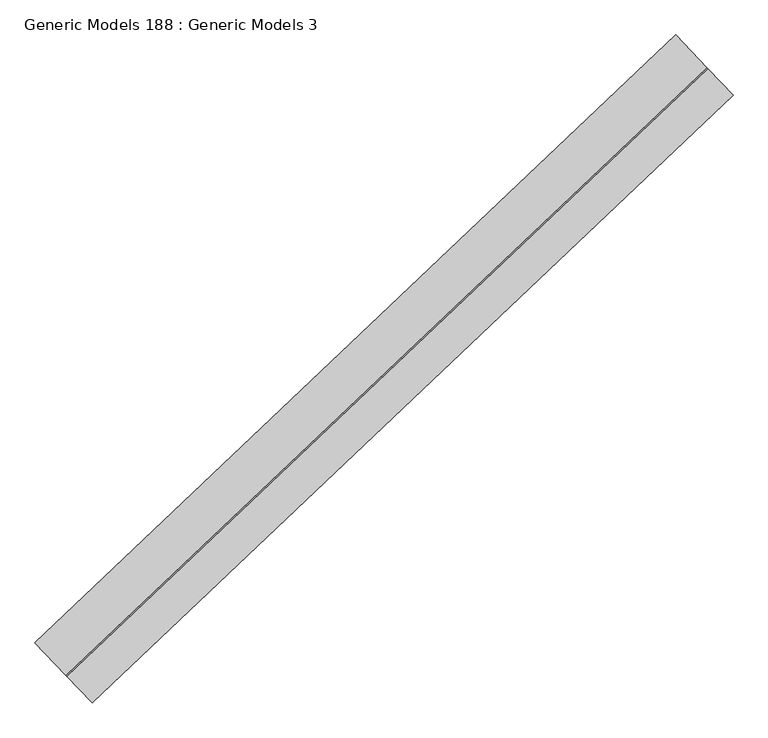
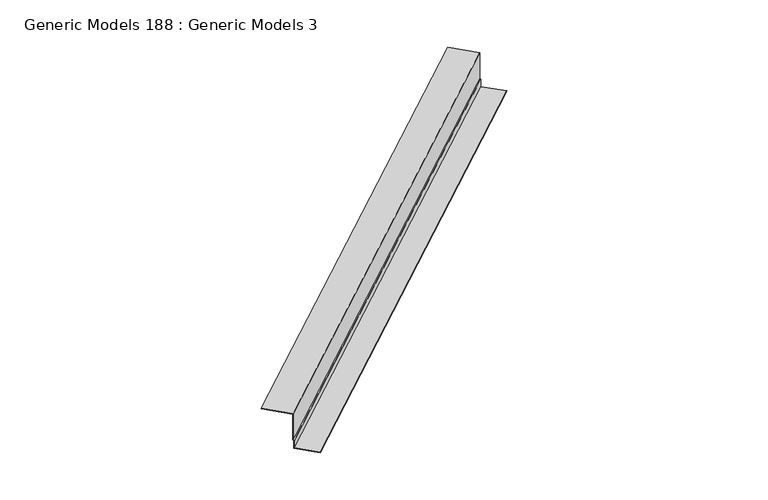
"""IFC4 building model written with IfcOpenShell, lengths in millimetres: proxy geometry, Generic Models 188 : Generic Models 3."""

import ifcopenshell
import ifcopenshell.guid

model = None  # the IFC model being written
_history = None  # IfcOwnerHistory: only IFC2X3 demands one
_inside = {}  # id of a spatial element -> (the spatial element, [elements in it])
_under = {}  # id of a project, library or spatial element -> (it, [spatial elements below it])
_declared = {}  # id of a project -> (the project, [libraries it declares])
_typed = {}  # id of a type object -> (the type object, [elements of that type])
_made_of = {}  # id of a material, layer set ... -> (it, [elements and type objects made of it])


def new_model(schema):
    """Start an empty IFC model of exactly this schema.

    Asked for "IFC4X3", IfcOpenShell would pick the latest addendum, in which some entities
    have other attributes; the version numbers below select the first issue.
    IFC2X3 requires an IfcOwnerHistory on every rooted entity: one is made here for all.
    """
    global model, _history
    if schema == "IFC4X3":
        model = ifcopenshell.file(schema_version=(4, 3, 0, 0))
    else:
        model = ifcopenshell.file(schema=schema)
    _inside.clear()
    _under.clear()
    _declared.clear()
    _typed.clear()
    _made_of.clear()
    _history = None
    if model.schema == "IFC2X3":
        org = make("IfcOrganization", Name="unknown")
        user = make(
            "IfcPersonAndOrganization",
            ThePerson=make("IfcPerson", FamilyName="unknown"),
            TheOrganization=org,
        )
        app = make(
            "IfcApplication",
            ApplicationDeveloper=org,
            Version="unknown",
            ApplicationFullName="unknown",
            ApplicationIdentifier="unknown",
        )
        _history = make(
            "IfcOwnerHistory",
            OwningUser=user,
            OwningApplication=app,
            ChangeAction="ADDED",
            CreationDate=0,
        )
    return model


def make(cls, **values):
    """One entity of the class cls with the attributes given. An attribute that is None is left unset."""
    return model.create_entity(
        cls, **{name: value for name, value in values.items() if value is not None}
    )


def rooted(cls, **values):
    """An entity with a GlobalId (a new one), such as an element, a storey or a relation."""
    return make(cls, GlobalId=ifcopenshell.guid.new(), OwnerHistory=_history, **values)


def si_unit(unit_type, name, prefix=None):
    """IfcSIUnit, for example si_unit("LENGTHUNIT", "METRE", prefix="MILLI")."""
    return make("IfcSIUnit", UnitType=unit_type, Prefix=prefix, Name=name)


def assignment(units):
    """IfcUnitAssignment: the units of a project."""
    return None if units is None else make("IfcUnitAssignment", Units=units)


def point(xyz):
    """IfcCartesianPoint."""
    return None if xyz is None else make("IfcCartesianPoint", Coordinates=xyz)


def direction(xyz):
    """IfcDirection."""
    return None if xyz is None else make("IfcDirection", DirectionRatios=xyz)


def frame(location, z_axis=None, x_axis=None):
    """IfcAxis2Placement3D, a coordinate frame: its origin and axes. An axis left out is left unset."""
    return make(
        "IfcAxis2Placement3D",
        Location=point(location),
        Axis=direction(z_axis),
        RefDirection=direction(x_axis),
    )


def origin():
    """The frame at (0, 0, 0) with its axes left unset."""
    return frame((0.0, 0.0, 0.0))


def place(relative_to, where):
    """IfcLocalPlacement: puts the frame where relative to a parent placement (None: the world)."""
    return make(
        "IfcLocalPlacement", PlacementRelTo=relative_to, RelativePlacement=where
    )


def context(
    kind, dimensions, precision=None, world=None, true_north=None, identifier=None
):
    """IfcGeometricRepresentationContext, for example the 3D "Model" context."""
    return make(
        "IfcGeometricRepresentationContext",
        ContextIdentifier=identifier,
        ContextType=kind,
        CoordinateSpaceDimension=dimensions,
        Precision=precision,
        WorldCoordinateSystem=world,
        TrueNorth=true_north,
    )


def project(units=None, contexts=None):
    """IfcProject with its units and contexts."""
    return rooted(
        "IfcProject",
        Name="project",
        RepresentationContexts=contexts,
        UnitsInContext=assignment(units),
    )


def spatial(cls, under=None, at=None, **own):
    """A site, building, storey or space (cls), placed at a placement, below another one or the project."""
    s = rooted(cls, ObjectPlacement=at, **own)
    if under is not None:
        _under.setdefault(under.id(), (under, []))[1].append(s)
    return s


def polyline(points):
    """IfcPolyline through the points."""
    return make("IfcPolyline", Points=[point(p) for p in points])


def outline(outer, holes=None, kind="AREA"):
    """IfcArbitraryClosedProfileDef: a profile drawn as a closed curve; with holes, ...WithVoids."""
    if holes is None:
        return make("IfcArbitraryClosedProfileDef", ProfileType=kind, OuterCurve=outer)
    return make(
        "IfcArbitraryProfileDefWithVoids",
        ProfileType=kind,
        OuterCurve=outer,
        InnerCurves=holes,
    )


def extrude(swept, where, along, depth):
    """IfcExtrudedAreaSolid: the profile swept, set in the frame where, extruded along a direction by depth."""
    return make(
        "IfcExtrudedAreaSolid",
        SweptArea=swept,
        Position=where,
        ExtrudedDirection=direction(along),
        Depth=depth,
    )


def shape(context_of_items, identifier, shape_type, items):
    """IfcShapeRepresentation: the items that make up one representation, for example the "Body"."""
    return make(
        "IfcShapeRepresentation",
        ContextOfItems=context_of_items,
        RepresentationIdentifier=identifier,
        RepresentationType=shape_type,
        Items=items,
    )


def source(mapping_origin, context_of_items, identifier, shape_type, items):
    """IfcRepresentationMap: a shape defined once, which mapped items show again and again."""
    return make(
        "IfcRepresentationMap",
        MappingOrigin=mapping_origin,
        MappedRepresentation=shape(context_of_items, identifier, shape_type, items),
    )


def transform(
    local_origin,
    x_axis=None,
    y_axis=None,
    z_axis=None,
    scale=None,
    scale2=None,
    scale3=None,
    uniform=True,
):
    """IfcCartesianTransformationOperator3D, or its non-uniform kind. x_axis, y_axis, z_axis: its Axis1, 2, 3."""
    if uniform:
        return make(
            "IfcCartesianTransformationOperator3D",
            Axis1=direction(x_axis),
            Axis2=direction(y_axis),
            LocalOrigin=point(local_origin),
            Scale=scale,
            Axis3=direction(z_axis),
        )
    return make(
        "IfcCartesianTransformationOperator3DnonUniform",
        Axis1=direction(x_axis),
        Axis2=direction(y_axis),
        LocalOrigin=point(local_origin),
        Scale=scale,
        Axis3=direction(z_axis),
        Scale2=scale2,
        Scale3=scale3,
    )


def mapped(mapping_source, mapping_target):
    """IfcMappedItem: shows the shape of a source again, moved by a transform."""
    return make(
        "IfcMappedItem", MappingSource=mapping_source, MappingTarget=mapping_target
    )


def made_of(thing, what):
    """Note that an element or type object is made of a material, layer set ...; save() writes the relation."""
    if what is not None:
        _made_of.setdefault(what.id(), (what, []))[1].append(thing)
    return thing


def element(
    cls,
    number,
    at=None,
    inside=None,
    cuts=None,
    type_object=None,
    material=None,
    context=None,
    identifier="Body",
    shape_type=None,
    held_by="IfcProductDefinitionShape",
    body=None,
    shapes=None,
    **own,
):
    """One element of the class cls, such as IfcWall. Its Tag is "e" and its number.

    at: its placement. inside: the storey or other place that contains it. cuts: it is an
    opening in that element (IfcRelVoidsElement). A single representation is given by context,
    identifier, shape_type and body (its items); several are given by shapes. held_by: the class
    of the entity that holds the representations. save() writes the other relations.
    """
    e = rooted(cls, Tag="e%d" % number, ObjectPlacement=at, **own)
    if body is not None:
        shapes = [shape(context, identifier, shape_type, body)]
    if shapes is not None:
        e.Representation = make(held_by, Representations=shapes)
    if inside is not None:
        _inside.setdefault(inside.id(), (inside, []))[1].append(e)
    if cuts is not None:
        rooted(
            "IfcRelVoidsElement", RelatingBuildingElement=cuts, RelatedOpeningElement=e
        )
    if type_object is not None:
        _typed.setdefault(type_object.id(), (type_object, []))[1].append(e)
    return made_of(e, material)


def aggregate(whole, parts):
    """IfcRelAggregates: a whole, such as a stair, and the parts it consists of."""
    return rooted("IfcRelAggregates", RelatingObject=whole, RelatedObjects=parts)


def save(model, path):
    """Write the relations noted so far, then the file.

    IfcRelAggregates (storeys below a building ...), IfcRelContainedInSpatialStructure (elements
    in a storey), IfcRelDefinesByType, IfcRelAssociatesMaterial and IfcRelDeclares: one each for
    every whole, place, type object, material and project.
    """
    for whole, parts in _under.values():
        aggregate(whole, parts)
    for where, things in _inside.values():
        rooted(
            "IfcRelContainedInSpatialStructure",
            RelatedElements=things,
            RelatingStructure=where,
        )
    for kind, things in _typed.values():
        rooted("IfcRelDefinesByType", RelatedObjects=things, RelatingType=kind)
    for what, things in _made_of.values():
        rooted("IfcRelAssociatesMaterial", RelatedObjects=things, RelatingMaterial=what)
    for by, libraries in _declared.values():
        rooted("IfcRelDeclares", RelatingContext=by, RelatedDefinitions=libraries)
    model.write(path)


def generic_models_188_generic_models_3_f3db4721(model_context):
    return source(origin(), model_context, "Body", "SweptSolid", [
        extrude(outline(polyline([(137.2629346, 0.0), (137.2629346, 216.6535923), (144.8329145, 224.2235722), (144.8329145, 284.6360669), (334.4310125, 284.6360669), (334.4310125, 283.0485669), (146.4204145, 283.0485669), (146.4204145, 223.5660082), (138.8504346, 215.9960283), (138.8504346, -1.5875), (-91.6931144, -1.5875), (-91.6931144, 0.0), (137.2629346, 0.0)])), frame((100009.258708, 57039.7476423, 17668.5259476), z_axis=(0.7253743710122986, 0.6883545756937424, 0.0), x_axis=(0.6883545756937424, -0.7253743710122986, 0.0)), (0.0, 0.0, 1.0), 4530.725),
    ])


if __name__ == "__main__":
    model = new_model("IFC4")
    model_context = context("Model", 3, world=origin())
    ifc_project = project(units=[si_unit("LENGTHUNIT", "METRE", prefix="MILLI")], contexts=[model_context])
    site = spatial("IfcSite", under=ifc_project)
    building = spatial("IfcBuilding", under=site)
    placement = place(None, origin())
    generic_models_188_generic_models_3_shape = generic_models_188_generic_models_3_f3db4721(model_context)
    element("IfcBuildingElementProxy", 1, Name="Generic Models 188 : Generic Models 3", ObjectType="Generic Models 188 : Generic Models 3", at=placement, inside=building, context=model_context, shape_type="MappedRepresentation", body=[
        mapped(generic_models_188_generic_models_3_shape, transform((0.0, 0.0, 0.0), x_axis=(1.0, 0.0, 0.0), y_axis=(0.0, 1.0, 0.0), z_axis=(0.0, 0.0, 1.0))),
    ])
    save(model, "model.ifc")
